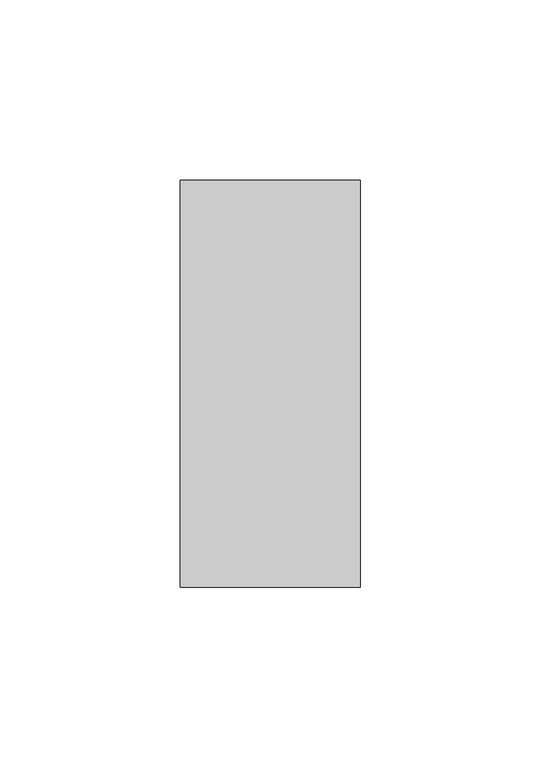
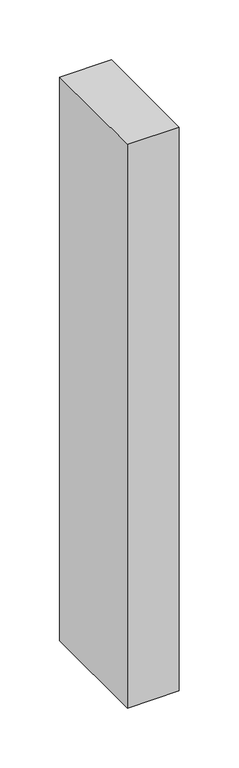
"""IFC4 building model written with IfcOpenShell, lengths in millimetres: member geometry."""

from ifc_helpers import new_model, si_unit, frame, origin, place, context, project, spatial, polyline, outline, extrude, source, transform, mapped, element, save


def member_9d90443d(model_context):
    return source(origin(), model_context, "Body", "SweptSolid", [
        extrude(outline(polyline([(-25.0, -22.0), (-25.0, 91.0), (25.0, 91.0), (25.0, -22.0), (-25.0, -22.0)])), frame((0.0, 0.0, -575.0), z_axis=(0.0, 0.0, 1.0), x_axis=(1.0, 0.0, 0.0)), (0.0, 0.0, 1.0), 575.0),
    ])


if __name__ == "__main__":
    model = new_model("IFC4")
    model_context = context("Model", 3, world=origin())
    ifc_project = project(units=[si_unit("LENGTHUNIT", "METRE", prefix="MILLI")], contexts=[model_context])
    site = spatial("IfcSite", under=ifc_project)
    building = spatial("IfcBuilding", under=site)
    placement = place(None, origin())
    member_shape = member_9d90443d(model_context)
    element("IfcMember", 1, at=placement, inside=building, context=model_context, shape_type="MappedRepresentation", body=[
        mapped(member_shape, transform((0.0, 0.0, 0.0), x_axis=(1.0, 0.0, 0.0), y_axis=(0.0, 1.0, 0.0), z_axis=(0.0, 0.0, 1.0))),
    ])
    save(model, "model.ifc")
